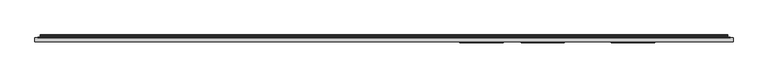
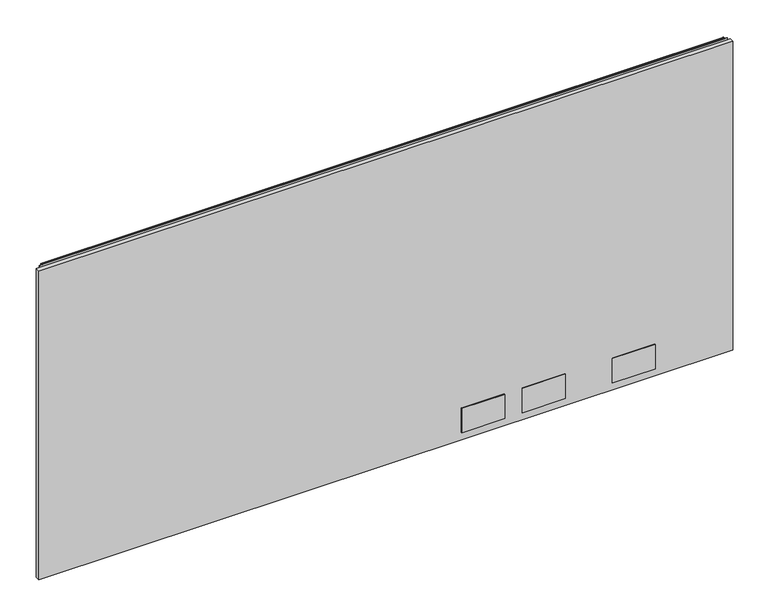
"""IFC4 building model written with IfcOpenShell, lengths in millimetres: furniture geometry."""

from ifc_helpers import new_model, si_unit, point, frame, frame_2d, origin, place, context, project, spatial, polyline, circle_curve, trimmed, segment, composite_curve, outline, extrude, source, transform, mapped, element, save


def furniture_b63c0760(model_context):
    return source(origin(), model_context, "Body", "SweptSolid", [
        extrude(outline(polyline([(1.778, 1.45288), (1.778, 10.9778796), (1522.2219835, 10.9778796), (1522.2219835, 1.45288), (1.778, 1.45288)])), frame((0.0, 0.0, 16.0528), z_axis=(0.0, 0.0, 1.0), x_axis=(1.0, 0.0, 0.0)), (0.0, 0.0, 1.0), 715.7592871),
        extrude(outline(polyline([(1021.461016, -0.57912), (927.227015, -0.57912), (927.227015, 1.45288), (1021.461016, 1.45288), (1021.461016, -0.57912)])), frame((0.0, 0.0, 33.5787996), z_axis=(0.0, 0.0, 1.0), x_axis=(1.0, 0.0, 0.0)), (0.0, 0.0, 1.0), 56.6420005),
        extrude(outline(polyline([(1154.811016, -0.57912), (1060.577015, -0.57912), (1060.577015, 1.45288), (1154.811016, 1.45288), (1154.811016, -0.57912)])), frame((0.0, 0.0, 33.5787996), z_axis=(0.0, 0.0, 1.0), x_axis=(1.0, 0.0, 0.0)), (0.0, 0.0, 1.0), 56.6420005),
        extrude(outline(polyline([(1351.6610281, -0.57912), (1257.4270271, -0.57912), (1257.4270271, 1.45288), (1351.6610281, 1.45288), (1351.6610281, -0.57912)])), frame((0.0, 0.0, 33.5787996), z_axis=(0.0, 0.0, 1.0), x_axis=(1.0, 0.0, 0.0)), (0.0, 0.0, 1.0), 56.6420005),
        extrude(outline(composite_curve([segment(polyline([(10.9778796, 736.2381024), (10.9778796, 737.1805903)]), True, "CONTINUOUS"), segment(trimmed(circle_curve(frame_2d((11.6164846, 737.1805903)), 0.638605), [point((10.9778796, 737.1805903))], [point((11.6164846, 737.8191953))], False, "CARTESIAN"), True, "CONTINUOUS"), segment(polyline([(11.6164846, 737.8191953), (13.251317, 737.8191953)]), True, "CONTINUOUS"), segment(trimmed(circle_curve(frame_2d((13.251317, 735.4458753)), 2.37332), [point((13.251317, 737.8191953))], [point((15.6071079, 735.1579575))], False, "CARTESIAN"), True, "CONTINUOUS"), segment(polyline([(15.6071079, 735.1579575), (15.2080413, 731.8927287)]), True, "CONTINUOUS"), segment(trimmed(circle_curve(frame_2d((17.5068753, 731.6117719)), 2.3159393), [point((15.2080413, 731.8927287))], [point((15.5012134, 730.4538018))], True, "CARTESIAN"), True, "CONTINUOUS"), segment(polyline([(15.5012134, 730.4538018), (16.6600675, 728.4466087), (15.9781592, 728.0529085), (14.819305, 730.0601016)]), True, "CONTINUOUS"), segment(trimmed(circle_curve(frame_2d((17.5068753, 731.6117719)), 3.1033393), [point((14.819305, 730.0601016))], [point((14.4264569, 731.9882516))], False, "CARTESIAN"), True, "CONTINUOUS"), segment(polyline([(14.4264569, 731.9882516), (14.8255236, 735.2534804)]), True, "CONTINUOUS"), segment(trimmed(circle_curve(frame_2d((13.251317, 735.4458753)), 1.58592), [point((14.8255236, 735.2534804))], [point((13.251317, 737.0317953))], True, "CARTESIAN"), True, "CONTINUOUS"), segment(polyline([(13.251317, 737.0317953), (11.7652796, 737.0317953), (11.7652796, 736.2381024), (10.9778796, 736.2381024)]), True, "CONTINUOUS")], self_intersect=False)), frame((13.7160002, 0.0, 0.0), z_axis=(1.0, 0.0, 0.0), x_axis=(0.0, 1.0, 0.0)), (0.0, 0.0, 1.0), 1496.5680076),
        extrude(outline(polyline([(8.1280002, 10.9778796), (8.1280002, 11.7652796), (1515.8720078, 11.7652796), (1515.8720078, 10.9778796), (8.1280002, 10.9778796)])), frame((0.0, 0.0, 705.5612079), z_axis=(0.0, 0.0, 1.0), x_axis=(1.0, 0.0, 0.0)), (0.0, 0.0, 1.0), 30.8009179),
    ])


if __name__ == "__main__":
    model = new_model("IFC4")
    model_context = context("Model", 3, world=origin())
    ifc_project = project(units=[si_unit("LENGTHUNIT", "METRE", prefix="MILLI")], contexts=[model_context])
    site = spatial("IfcSite", under=ifc_project)
    building = spatial("IfcBuilding", under=site)
    placement = place(None, origin())
    furniture_shape = furniture_b63c0760(model_context)
    element("IfcFurniture", 1, at=placement, inside=building, context=model_context, shape_type="MappedRepresentation", body=[
        mapped(furniture_shape, transform((0.0, 0.0, 0.0), x_axis=(1.0, 0.0, 0.0), y_axis=(0.0, 1.0, 0.0), z_axis=(0.0, 0.0, 1.0))),
    ])
    save(model, "model.ifc")
